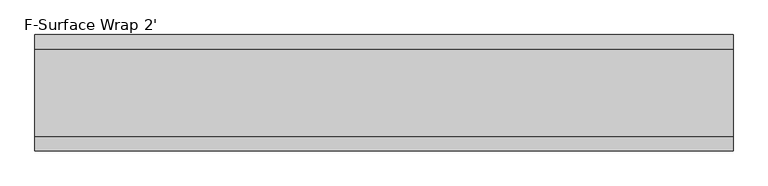
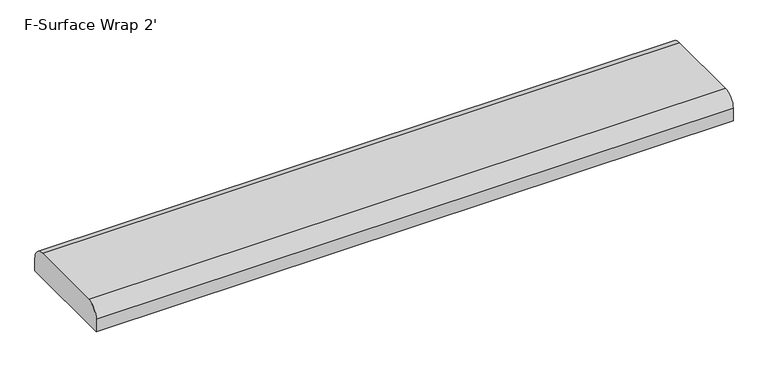
"""IFC4 building model written with IfcOpenShell, lengths in millimetres: light fixture geometry, F-Surface Wrap 2'."""

from ifc_helpers import new_model, si_unit, point, frame, frame_2d, origin, place, context, project, spatial, polyline, circle_curve, trimmed, segment, composite_curve, outline, extrude, source, transform, mapped, element, save


def f_surface_wrap_2_fbb810af(model_context):
    return source(origin(), model_context, "Body", "SweptSolid", [
        extrude(outline(composite_curve([segment(trimmed(circle_curve(frame_2d((-177.8, 25.4)), 25.4), [point((-203.2, 25.4))], [point((-177.8, 50.8))], False, "CARTESIAN"), True, "CONTINUOUS"), segment(polyline([(-177.8, 50.8), (-25.4, 50.8)]), True, "CONTINUOUS"), segment(trimmed(circle_curve(frame_2d((-25.4, 25.4)), 25.4), [point((-25.4, 50.8))], [point((0.0, 25.4))], False, "CARTESIAN"), True, "CONTINUOUS"), segment(polyline([(0.0, 25.4), (0.0, 0.0), (-203.2, 0.0), (-203.2, 25.4)]), True, "CONTINUOUS")], self_intersect=False)), frame((0.0, 0.0, 0.0), z_axis=(1.0, 0.0, 0.0), x_axis=(0.0, 1.0, 0.0)), (0.0, 0.0, 1.0), 1219.2),
    ])


if __name__ == "__main__":
    model = new_model("IFC4")
    model_context = context("Model", 3, world=origin())
    ifc_project = project(units=[si_unit("LENGTHUNIT", "METRE", prefix="MILLI")], contexts=[model_context])
    site = spatial("IfcSite", under=ifc_project)
    building = spatial("IfcBuilding", under=site)
    placement = place(None, origin())
    f_surface_wrap_2_shape = f_surface_wrap_2_fbb810af(model_context)
    element("IfcLightFixture", 1, ObjectType="F-Surface Wrap 2'", at=placement, inside=building, context=model_context, shape_type="MappedRepresentation", body=[
        mapped(f_surface_wrap_2_shape, transform((0.0, 0.0, 0.0), x_axis=(1.0, 0.0, 0.0), y_axis=(0.0, 1.0, 0.0), z_axis=(0.0, 0.0, 1.0))),
    ])
    save(model, "model.ifc")
